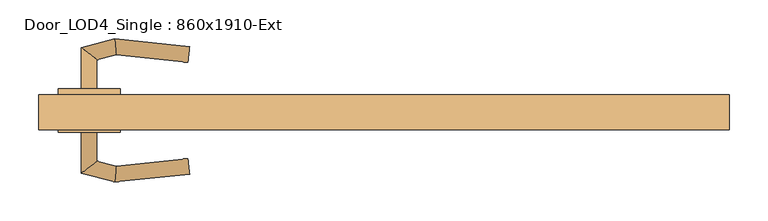
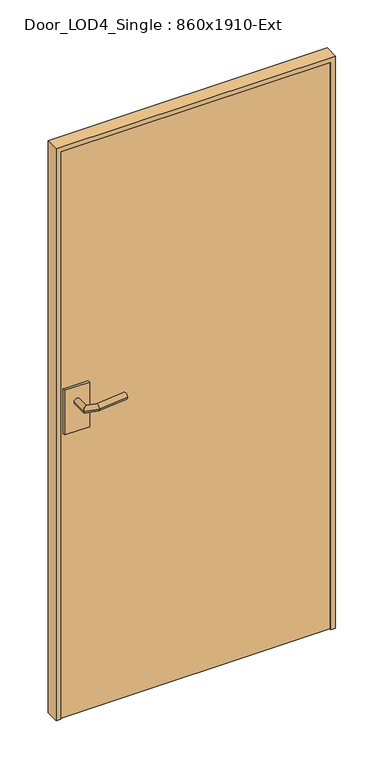
"""IFC4 building model written with IfcOpenShell, lengths in millimetres: door geometry, Door_LOD4_Single : 860x1910-Ext."""

from ifc_helpers import new_model, si_unit, frame, origin, origin_with_axes, place, context, project, spatial, polyline, circle_curve, ellipse_curve, outline, extrude, source, transform, mapped, element, save
from ifc_brep_helpers import plane_surface, cylinder_surface, advanced_brep


def door_lod4_single_860x1910_ext_4fc9a3d1(model_context):
    return source(origin(), model_context, "Body", "SolidModel", [
        extrude(outline(polyline([(430.0, -17.5), (-430.0, -17.5), (-430.0, 22.5), (430.0, 22.5), (430.0, -17.5)])), origin_with_axes(), (0.0, 0.0, 1.0), 1910.0000765),
        advanced_brep(
        [(-390.0, -25.5, 1055.0000382), (-370.0, -25.5, 1055.0000382), (-370.0, -62.8267301, 1055.0000382), (-390.0, -78.1732699, 1055.0000382), (-345.3947841, -69.4196778, 1055.0000382), (-346.9904081, -89.6976553, 1055.0000382), (-250.6930557, -79.5736521, 1055.0000382), (-252.7841855, -59.6832731, 1055.0000382)],
        [
            (0, 1, circle_curve(frame((-380.0, -25.5, 1055.0000382), z_axis=(0.0, 1.0, 0.0), x_axis=(1.0, 0.0, 0.0)), 10.0)),
            (1, 0, circle_curve(frame((-380.0, -25.5, 1055.0000382), z_axis=(0.0, 1.0, 0.0), x_axis=(1.0, 0.0, 0.0)), 10.0)),
            (1, 2),
            (2, 3, ellipse_curve(frame((-380.0, -70.5, 1055.0000382), z_axis=(-0.6087614290087403, 0.79335334029122, 0.0), x_axis=(0.7933533402912198, 0.6087614290087406, 0.0)), 12.6047241, 10.0)),
            (3, 0),
            (3, 2, ellipse_curve(frame((-380.0, -70.5, 1055.0000382), z_axis=(-0.6087614290087403, 0.79335334029122, 0.0), x_axis=(0.7933533402912198, 0.6087614290087406, 0.0)), 12.6047241, 10.0)),
            (2, 4),
            (4, 5, ellipse_curve(frame((-346.1925961, -79.5586666, 1055.0000382), z_axis=(-0.9969184391323764, 0.07844504903348702, 0.0), x_axis=(0.07844504903348593, 0.9969184391323765, 0.0)), 10.1703292, 10.0)),
            (5, 3),
            (5, 4, ellipse_curve(frame((-346.1925961, -79.5586666, 1055.0000382), z_axis=(-0.9969184391323764, 0.07844504903348702, 0.0), x_axis=(0.07844504903348593, 0.9969184391323765, 0.0)), 10.1703292, 10.0)),
            (6, 7, circle_curve(frame((-251.7386206, -69.6284626, 1055.0000382), z_axis=(0.9945189493358518, 0.10455648909519343, 0.0), x_axis=(-0.10455648909519343, 0.9945189493358518, 0.0)), 10.0)),
            (7, 6, circle_curve(frame((-251.7386206, -69.6284626, 1055.0000382), z_axis=(0.9945189493358518, 0.10455648909519343, 0.0), x_axis=(-0.10455648909519343, 0.9945189493358518, 0.0)), 10.0)),
            (4, 7),
            (6, 5),
        ],
        [
            plane_surface(frame((-380.0, -25.5, 1055.0000382), z_axis=(0.0, 1.0, 0.0), x_axis=(0.0, 0.0, 1.0))),
            cylinder_surface(frame((-380.0, -25.5, 1055.0000382), z_axis=(0.0, 1.0, 0.0), x_axis=(1.0, 0.0, 0.0)), 10.0),
            cylinder_surface(frame((-380.0, -70.5, 1055.0000382), z_axis=(-0.965925826289083, 0.2588190451024665, 0.0), x_axis=(0.2588190451024665, 0.965925826289083, 0.0)), 10.0),
            plane_surface(frame((-251.7386206, -69.6284626, 1055.0000382), z_axis=(0.9945189493358518, 0.10455648909519348, 0.0), x_axis=(0.0, 0.0, 1.0))),
            cylinder_surface(frame((-346.1925961, -79.5586666, 1055.0000382), z_axis=(-0.9945189493358518, -0.10455648909519343, 0.0), x_axis=(-0.10455648909519343, 0.9945189493358518, 0.0)), 10.0),
        ],
        [
            (0, [[1, 2]]),
            (1, [[3, 4, 5, -2]]),
            (1, [[-5, 6, -3, -1]]),
            (2, [[7, 8, 9, -4]]),
            (2, [[-9, 10, -7, -6]]),
            (3, [[11, 12]]),
            (4, [[13, -11, 14, -8]]),
            (4, [[-14, -12, -13, -10]]),
        ],
    ),
        extrude(outline(polyline([(-420.0, -25.5), (-420.0, -17.5), (-340.0, -17.5), (-340.0, -25.5), (-420.0, -25.5)])), frame((0.0, 0.0, 955.0000382), z_axis=(0.0, 0.0, 1.0), x_axis=(1.0, 0.0, 0.0)), (0.0, 0.0, 1.0), 150.0),
        advanced_brep(
        [(-390.0, 30.5, 1055.0000382), (-370.0, 30.5, 1055.0000382), (-390.0, 83.1732699, 1055.0000382), (-370.0, 67.8267301, 1055.0000382), (-346.9904081, 94.6976553, 1055.0000382), (-345.3947841, 74.4196778, 1055.0000382), (-250.6930557, 84.5736521, 1055.0000382), (-252.7841855, 64.6832731, 1055.0000382)],
        [
            (0, 1, circle_curve(frame((-380.0, 30.5, 1055.0000382), z_axis=(0.0, -1.0, 0.0), x_axis=(1.0, 0.0, 0.0)), 10.0)),
            (1, 0, circle_curve(frame((-380.0, 30.5, 1055.0000382), z_axis=(0.0, -1.0, 0.0), x_axis=(1.0, 0.0, 0.0)), 10.0)),
            (0, 2),
            (2, 3, ellipse_curve(frame((-380.0, 75.5, 1055.0000382), z_axis=(-0.6087614290087454, -0.793353340291216, 0.0), x_axis=(0.793353340291216, -0.6087614290087459, 0.0)), 12.6047241, 10.0)),
            (3, 1),
            (3, 2, ellipse_curve(frame((-380.0, 75.5, 1055.0000382), z_axis=(-0.6087614290087454, -0.793353340291216, 0.0), x_axis=(0.793353340291216, -0.6087614290087459, 0.0)), 12.6047241, 10.0)),
            (2, 4),
            (4, 5, ellipse_curve(frame((-346.1925961, 84.5586666, 1055.0000382), z_axis=(-0.9969184391323771, -0.07844504903348057, 0.0), x_axis=(0.07844504903348166, -0.9969184391323769, 0.0)), 10.1703292, 10.0)),
            (5, 3),
            (5, 4, ellipse_curve(frame((-346.1925961, 84.5586666, 1055.0000382), z_axis=(-0.9969184391323771, -0.07844504903348057, 0.0), x_axis=(0.07844504903348166, -0.9969184391323769, 0.0)), 10.1703292, 10.0)),
            (6, 7, circle_curve(frame((-251.7386206, 74.6284626, 1055.0000382), z_axis=(0.9945189493358512, -0.10455648909519989, 0.0), x_axis=(-0.10455648909519989, -0.9945189493358512, 0.0)), 10.0)),
            (7, 6, circle_curve(frame((-251.7386206, 74.6284626, 1055.0000382), z_axis=(0.9945189493358512, -0.10455648909519989, 0.0), x_axis=(-0.10455648909519989, -0.9945189493358512, 0.0)), 10.0)),
            (4, 6),
            (7, 5),
        ],
        [
            plane_surface(frame((-380.0, 30.5, 1055.0000382), z_axis=(0.0, -1.0, 0.0), x_axis=(0.0, 0.0, 1.0))),
            cylinder_surface(frame((-380.0, 30.5, 1055.0000382), z_axis=(0.0, -1.0, 0.0), x_axis=(1.0, 0.0, 0.0)), 10.0),
            cylinder_surface(frame((-380.0, 75.5, 1055.0000382), z_axis=(-0.9659258262890846, -0.25881904510246023, 0.0), x_axis=(0.25881904510246023, -0.9659258262890846, 0.0)), 10.0),
            plane_surface(frame((-251.7386206, 74.6284626, 1055.0000382), z_axis=(0.9945189493358512, -0.10455648909519995, 0.0), x_axis=(0.0, 0.0, 1.0))),
            cylinder_surface(frame((-346.1925961, 84.5586666, 1055.0000382), z_axis=(-0.9945189493358512, 0.10455648909519989, 0.0), x_axis=(-0.10455648909519989, -0.9945189493358512, 0.0)), 10.0),
        ],
        [
            (0, [[1, 2]]),
            (1, [[-1, 3, 4, 5]]),
            (1, [[-2, -5, 6, -3]]),
            (2, [[-4, 7, 8, 9]]),
            (2, [[-6, -9, 10, -7]]),
            (3, [[11, 12]]),
            (4, [[-8, 13, -12, 14]]),
            (4, [[-10, -14, -11, -13]]),
        ],
    ),
        extrude(outline(polyline([(-420.0, 30.5), (-340.0, 30.5), (-340.0, 22.5), (-420.0, 22.5), (-420.0, 30.5)])), frame((0.0, 0.0, 955.0000382), z_axis=(0.0, 0.0, 1.0), x_axis=(1.0, 0.0, 0.0)), (0.0, 0.0, 1.0), 150.0),
        extrude(outline(polyline([(1925.0000765, -445.0), (0.0, -445.0), (0.0, -430.0), (1910.0000765, -430.0), (1910.0000765, 430.0), (0.0, 430.0), (0.0, 445.0), (1925.0000765, 445.0), (1925.0000765, -445.0)])), frame((0.0, -22.5, 0.0), z_axis=(0.0, 1.0, 0.0), x_axis=(0.0, 0.0, 1.0)), (0.0, 0.0, 1.0), 45.0),
    ])


if __name__ == "__main__":
    model = new_model("IFC4")
    model_context = context("Model", 3, world=origin())
    ifc_project = project(units=[si_unit("LENGTHUNIT", "METRE", prefix="MILLI")], contexts=[model_context])
    site = spatial("IfcSite", under=ifc_project)
    building = spatial("IfcBuilding", under=site)
    placement = place(None, origin())
    door_lod4_single_860x1910_ext_shape = door_lod4_single_860x1910_ext_4fc9a3d1(model_context)
    element("IfcDoor", 1, ObjectType="Door_LOD4_Single : 860x1910-Ext", at=placement, inside=building, context=model_context, shape_type="MappedRepresentation", body=[
        mapped(door_lod4_single_860x1910_ext_shape, transform((0.0, 0.0, 0.0), x_axis=(1.0, 0.0, 0.0), y_axis=(0.0, 1.0, 0.0), z_axis=(0.0, 0.0, 1.0))),
    ])
    save(model, "model.ifc")
